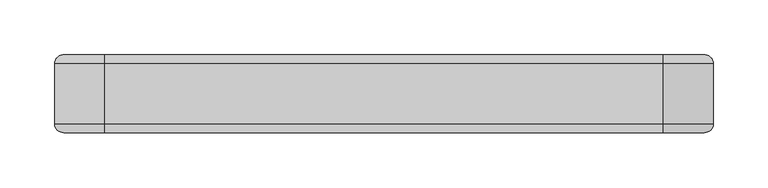
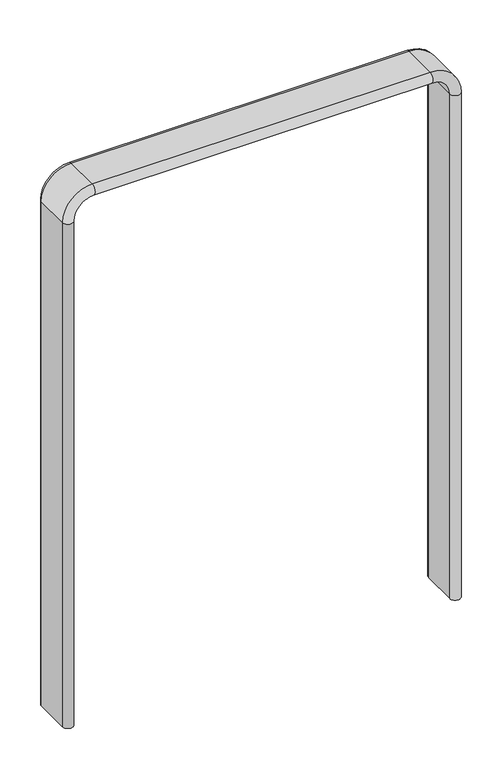
"""IFC4 building model written with IfcOpenShell, lengths in millimetres: furniture geometry."""

from ifc_helpers import new_model, si_unit, point, frame, origin, place, context, project, spatial, polyline, circle_curve, ellipse_curve, trimmed, source, transform, mapped, element, save
from ifc_brep_helpers import plane_surface, cylinder_surface, revolved_surface, advanced_brep


def furniture_a827dad1(model_context):
    return source(origin(), model_context, "Body", "AdvancedBrep", [
        advanced_brep(
        [(300.4996289, 27.5, 0.0), (300.4996289, -27.5, 0.0), (284.4996289, -27.5, 0.0), (284.4996289, 27.5, 0.0), (300.4996289, 27.5, 805.0), (300.4996289, -27.5, 805.0), (284.4996289, -27.5, 805.0), (284.4996289, 27.5, 805.0), (254.9998145, -27.5, 850.4998145), (254.9998145, 27.5, 850.4998145), (254.9998145, -27.5, 834.4998145), (254.9998145, 27.5, 834.4998145), (-255.0001855, 27.5, 850.4998145), (-255.0001855, -27.5, 850.4998145), (-255.0001855, -27.5, 834.4998145), (-255.0001855, 27.5, 834.4998145), (-300.5, -27.5, 805.0), (-300.5, 27.5, 805.0), (-284.5, -27.5, 805.0), (-284.5, 27.5, 805.0), (-300.5, 27.5, 0.0), (-284.5, 27.5, 0.0), (-284.5, -27.5, 0.0), (-300.5, -27.5, 0.0)],
        [
            (0, 1),
            (1, 2, circle_curve(frame((292.4996289, -27.5, 0.0), z_axis=(0.0, 0.0, -1.0), x_axis=(-1.0, 0.0, 0.0)), 8.0)),
            (2, 3),
            (3, 0, circle_curve(frame((292.4996289, 27.5, 0.0), z_axis=(0.0, 0.0, -1.0), x_axis=(1.0, 0.0, 0.0)), 8.0)),
            (0, 4),
            (4, 5),
            (5, 1),
            (5, 6, circle_curve(frame((292.4996289, -27.5, 805.0), z_axis=(0.0, 0.0, -1.0), x_axis=(-1.0, 0.0, 0.0)), 8.0)),
            (6, 2),
            (6, 7),
            (7, 3),
            (7, 4, circle_curve(frame((292.4996289, 27.5, 805.0), z_axis=(0.0, 0.0, -1.0), x_axis=(1.0, 0.0, 0.0)), 8.0)),
            (8, 5, circle_curve(frame((254.9998145, -27.5, 805.0), z_axis=(0.0, 1.0, 0.0), x_axis=(1.0, 0.0, 0.0)), 45.4998145)),
            (4, 9, circle_curve(frame((254.9998145, 27.5, 805.0), z_axis=(0.0, -1.0, 0.0), x_axis=(1.0, 0.0, 0.0)), 45.4998145)),
            (9, 8),
            (10, 6, circle_curve(frame((254.9998145, -27.5, 805.0), z_axis=(0.0, 1.0, 0.0), x_axis=(1.0, 0.0, 0.0)), 29.4998145)),
            (8, 10, circle_curve(frame((254.9998145, -27.5, 842.4998145), z_axis=(1.0, 0.0, 0.0), x_axis=(0.0, 0.0, -1.0)), 8.0)),
            (11, 7, circle_curve(frame((254.9998145, 27.5, 805.0), z_axis=(0.0, 1.0, 0.0), x_axis=(1.0, 0.0, 0.0)), 29.4998145)),
            (10, 11),
            (11, 9, circle_curve(frame((254.9998145, 27.5, 842.4998145), z_axis=(1.0, 0.0, 0.0), x_axis=(0.0, 0.0, 1.0)), 8.0)),
            (9, 12),
            (12, 13),
            (13, 8),
            (13, 14, circle_curve(frame((-255.0001855, -27.5, 842.4998145), z_axis=(1.0, 0.0, 0.0), x_axis=(0.0, 0.0, -1.0)), 8.0)),
            (14, 10),
            (14, 15),
            (15, 11),
            (15, 12, circle_curve(frame((-255.0001855, 27.5, 842.4998145), z_axis=(1.0, 0.0, 0.0), x_axis=(0.0, 0.0, 1.0)), 8.0)),
            (16, 13, circle_curve(frame((-255.0001855, -27.5, 805.0), z_axis=(0.0, 1.0, 0.0), x_axis=(0.0, 0.0, 1.0)), 45.4998145)),
            (12, 17, circle_curve(frame((-255.0001855, 27.5, 805.0), z_axis=(0.0, -1.0, 0.0), x_axis=(0.0, 0.0, 1.0)), 45.4998145)),
            (17, 16),
            (18, 14, circle_curve(frame((-255.0001855, -27.5, 805.0), z_axis=(0.0, 1.0, 0.0), x_axis=(0.0, 0.0, 1.0)), 29.4998145)),
            (16, 18, circle_curve(frame((-292.5, -27.5, 805.0), z_axis=(0.0, 0.0, 1.0), x_axis=(1.0, 0.0, 0.0)), 8.0)),
            (19, 15, circle_curve(frame((-255.0001855, 27.5, 805.0), z_axis=(0.0, 1.0, 0.0), x_axis=(0.0, 0.0, 1.0)), 29.4998145)),
            (18, 19),
            (19, 17, circle_curve(frame((-292.5, 27.5, 805.0), z_axis=(0.0, 0.0, 1.0), x_axis=(-1.0, 0.0, 0.0)), 8.0)),
            (20, 21, circle_curve(frame((-292.5, 27.5, 0.0), z_axis=(0.0, 0.0, -1.0), x_axis=(-1.0, 0.0, 0.0)), 8.0)),
            (21, 22),
            (22, 23, circle_curve(frame((-292.5, -27.5, 0.0), z_axis=(0.0, 0.0, -1.0), x_axis=(1.0, 0.0, 0.0)), 8.0)),
            (23, 20),
            (17, 20),
            (23, 16),
            (22, 18),
            (21, 19),
        ],
        [
            plane_surface(frame((299.9998145, 0.0, 0.0), z_axis=(0.0, 0.0, -1.0), x_axis=(0.0, -1.0, 0.0))),
            plane_surface(frame((300.4996289, 27.5, 0.0), z_axis=(1.0, 0.0, 0.0), x_axis=(0.0, 0.0, 1.0))),
            cylinder_surface(frame((292.4996289, -27.5, 0.0), z_axis=(0.0, 0.0, -1.0), x_axis=(-1.0, 0.0, 0.0)), 8.0),
            plane_surface(frame((284.4996289, -27.5, 0.0), z_axis=(-1.0, 0.0, 0.0), x_axis=(0.0, 0.0, 1.0))),
            cylinder_surface(frame((292.4996289, 27.5, 0.0), z_axis=(0.0, 0.0, -1.0), x_axis=(1.0, 0.0, 0.0)), 8.0),
            cylinder_surface(frame((254.9998145, 0.0, 805.0), z_axis=(0.0, -1.0, 0.0), x_axis=(1.0, 0.0, 0.0)), 45.4998145),
            revolved_surface(trimmed(ellipse_curve(frame((292.4996289, -27.5, 805.0), z_axis=(0.0, 0.0, -1.0), x_axis=(-1.0, 0.0, 0.0)), 8.0, 8.0), [point((300.4996289, -27.5, 805.0))], [point((284.4996289, -27.5, 805.0))], True, "CARTESIAN"), (254.9998145, 0.0, 805.0), (0.0, -1.0, 0.0)),
            revolved_surface(polyline([(284.499629, -27.5, 805.0), (284.499629, 27.5, 805.0)]), (254.9998145, 0.0, 805.0), (0.0, -1.0, 0.0)),
            revolved_surface(trimmed(ellipse_curve(frame((292.4996289, 27.5, 805.0), z_axis=(0.0, 0.0, -1.0), x_axis=(1.0, 0.0, 0.0)), 8.0, 8.0), [point((284.4996289, 27.5, 805.0))], [point((300.4996289, 27.5, 805.0))], True, "CARTESIAN"), (254.9998145, 0.0, 805.0), (0.0, -1.0, 0.0)),
            plane_surface(frame((254.9998145, 27.5, 850.4998145), z_axis=(0.0, 0.0, 1.0), x_axis=(-1.0, 0.0, 0.0))),
            cylinder_surface(frame((254.9998145, -27.5, 842.4998145), z_axis=(1.0, 0.0, 0.0), x_axis=(0.0, 0.0, -1.0)), 8.0),
            plane_surface(frame((254.9998145, -27.5, 834.4998145), z_axis=(0.0, 0.0, -1.0), x_axis=(-1.0, 0.0, 0.0))),
            cylinder_surface(frame((254.9998145, 27.5, 842.4998145), z_axis=(1.0, 0.0, 0.0), x_axis=(0.0, 0.0, 1.0)), 8.0),
            cylinder_surface(frame((-255.0001855, 0.0, 805.0), z_axis=(0.0, -1.0, 0.0), x_axis=(0.0, 0.0, 1.0)), 45.4998145),
            revolved_surface(trimmed(ellipse_curve(frame((-255.0001855, -27.5, 842.4998145), z_axis=(1.0, 0.0, 0.0), x_axis=(0.0, 0.0, -1.0)), 8.0, 8.0), [point((-255.0001855, -27.5, 850.4998145))], [point((-255.0001855, -27.5, 834.4998145))], True, "CARTESIAN"), (-255.0001855, 0.0, 805.0), (0.0, -1.0, 0.0)),
            revolved_surface(polyline([(-255.0001855, -27.5, 834.4998145), (-255.0001855, 27.5, 834.4998145)]), (-255.0001855, 0.0, 805.0), (0.0, -1.0, 0.0)),
            revolved_surface(trimmed(ellipse_curve(frame((-255.0001855, 27.5, 842.4998145), z_axis=(1.0, 0.0, 0.0), x_axis=(0.0, 0.0, 1.0)), 8.0, 8.0), [point((-255.0001855, 27.5, 834.4998145))], [point((-255.0001855, 27.5, 850.4998145))], True, "CARTESIAN"), (-255.0001855, 0.0, 805.0), (0.0, -1.0, 0.0)),
            plane_surface(frame((-300.0001855, 0.0, 0.0), z_axis=(0.0, 0.0, -1.0), x_axis=(0.0, -1.0, 0.0))),
            plane_surface(frame((-300.5, 27.5, 805.0), z_axis=(-1.0, 0.0, 0.0), x_axis=(0.0, 0.0, -1.0))),
            cylinder_surface(frame((-292.5, -27.5, 805.0), z_axis=(0.0, 0.0, 1.0), x_axis=(1.0, 0.0, 0.0)), 8.0),
            plane_surface(frame((-284.5, -27.5, 805.0), z_axis=(1.0, 0.0, 0.0), x_axis=(0.0, 0.0, -1.0))),
            cylinder_surface(frame((-292.5, 27.5, 805.0), z_axis=(0.0, 0.0, 1.0), x_axis=(-1.0, 0.0, 0.0)), 8.0),
        ],
        [
            (0, [[1, 2, 3, 4]]),
            (1, [[-1, 5, 6, 7]]),
            (2, [[-2, -7, 8, 9]]),
            (3, [[-3, -9, 10, 11]]),
            (4, [[-4, -11, 12, -5]]),
            (5, [[13, -6, 14, 15]]),
            (6, [[16, -8, -13, 17]]),
            (7, [[18, -10, -16, 19]]),
            (8, [[-14, -12, -18, 20]]),
            (9, [[-15, 21, 22, 23]]),
            (10, [[-17, -23, 24, 25]]),
            (11, [[-19, -25, 26, 27]]),
            (12, [[-20, -27, 28, -21]]),
            (13, [[29, -22, 30, 31]]),
            (14, [[32, -24, -29, 33]]),
            (15, [[34, -26, -32, 35]]),
            (16, [[-30, -28, -34, 36]]),
            (17, [[37, 38, 39, 40]]),
            (18, [[-31, 41, -40, 42]]),
            (19, [[-33, -42, -39, 43]]),
            (20, [[-35, -43, -38, 44]]),
            (21, [[-36, -44, -37, -41]]),
        ],
    ),
    ])


if __name__ == "__main__":
    model = new_model("IFC4")
    model_context = context("Model", 3, world=origin())
    ifc_project = project(units=[si_unit("LENGTHUNIT", "METRE", prefix="MILLI")], contexts=[model_context])
    site = spatial("IfcSite", under=ifc_project)
    building = spatial("IfcBuilding", under=site)
    placement = place(None, origin())
    furniture_shape = furniture_a827dad1(model_context)
    element("IfcFurniture", 1, at=placement, inside=building, context=model_context, shape_type="MappedRepresentation", body=[
        mapped(furniture_shape, transform((0.0, 0.0, 0.0), x_axis=(1.0, 0.0, 0.0), y_axis=(0.0, 1.0, 0.0), z_axis=(0.0, 0.0, 1.0))),
    ])
    save(model, "model.ifc")
